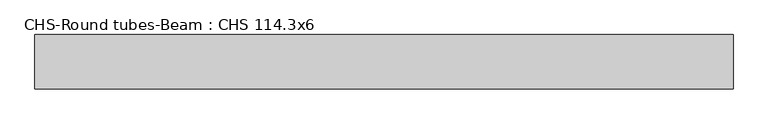
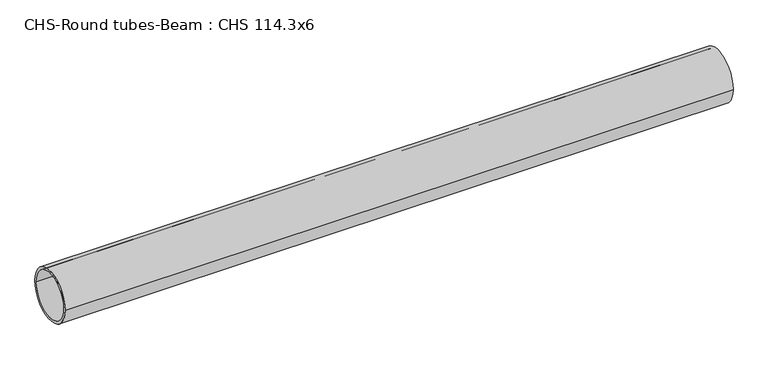
"""IFC4 building model written with IfcOpenShell, lengths in millimetres: beam geometry, CHS-Round tubes-Beam : CHS 114.3x6."""

from ifc_helpers import new_model, si_unit, point, frame, origin, origin_2d, place, context, project, spatial, circle_curve, trimmed, segment, composite_curve, outline, extrude, source, transform, mapped, element, save


def chs_round_tubes_beam_chs_114_3x6_d08e78f0(model_context):
    return source(origin(), model_context, "Body", "SweptSolid", [
        extrude(outline(composite_curve([segment(trimmed(circle_curve(origin_2d(), 57.15), [point((57.15, 0.0))], [point((-57.15, 0.0))], False, "CARTESIAN"), True, "CONTINUOUS"), segment(trimmed(circle_curve(origin_2d(), 57.15), [point((-57.15, 0.0))], [point((57.15, 0.0))], False, "CARTESIAN"), True, "CONTINUOUS")], self_intersect=False), holes=[composite_curve([segment(trimmed(circle_curve(origin_2d(), 51.15), [point((51.15, 0.0))], [point((-51.15, 0.0))], True, "CARTESIAN"), True, "CONTINUOUS"), segment(trimmed(circle_curve(origin_2d(), 51.15), [point((-51.15, 0.0))], [point((51.15, 0.0))], True, "CARTESIAN"), True, "CONTINUOUS")], self_intersect=False)]), frame((-773.3081872, 0.0, 0.0), z_axis=(1.0, 0.0, 0.0), x_axis=(0.0, 1.0, 0.0)), (0.0, 0.0, 1.0), 1463.3268219),
    ])


if __name__ == "__main__":
    model = new_model("IFC4")
    model_context = context("Model", 3, world=origin())
    ifc_project = project(units=[si_unit("LENGTHUNIT", "METRE", prefix="MILLI")], contexts=[model_context])
    site = spatial("IfcSite", under=ifc_project)
    building = spatial("IfcBuilding", under=site)
    placement = place(None, origin())
    chs_round_tubes_beam_chs_114_3x6_shape = chs_round_tubes_beam_chs_114_3x6_d08e78f0(model_context)
    element("IfcBeam", 1, ObjectType="CHS-Round tubes-Beam : CHS 114.3x6", at=placement, inside=building, context=model_context, shape_type="MappedRepresentation", body=[
        mapped(chs_round_tubes_beam_chs_114_3x6_shape, transform((0.0, 0.0, 0.0), x_axis=(1.0, 0.0, 0.0), y_axis=(0.0, 1.0, 0.0), z_axis=(0.0, 0.0, 1.0))),
    ])
    save(model, "model.ifc")
